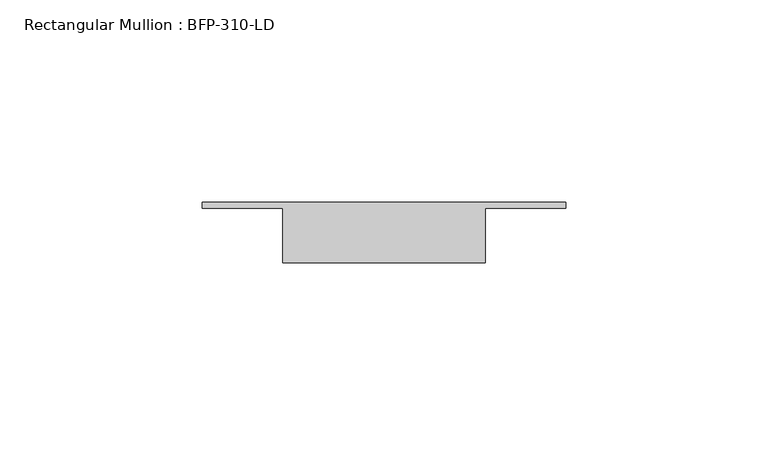
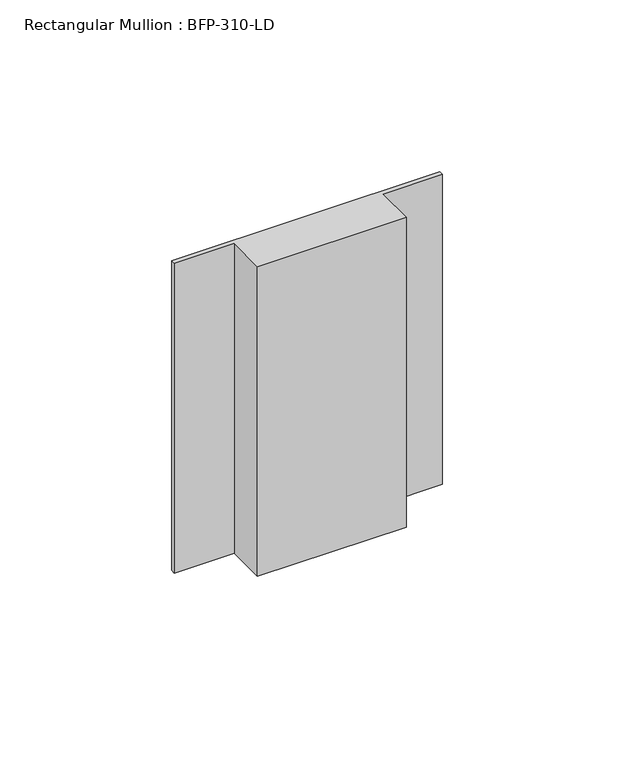
"""IFC4 building model written with IfcOpenShell, lengths in millimetres: member geometry, Rectangular Mullion : BFP-310-LD."""

import ifcopenshell
import ifcopenshell.guid

model = None  # the IFC model being written
_history = None  # IfcOwnerHistory: only IFC2X3 demands one
_inside = {}  # id of a spatial element -> (the spatial element, [elements in it])
_under = {}  # id of a project, library or spatial element -> (it, [spatial elements below it])
_declared = {}  # id of a project -> (the project, [libraries it declares])
_typed = {}  # id of a type object -> (the type object, [elements of that type])
_made_of = {}  # id of a material, layer set ... -> (it, [elements and type objects made of it])


def new_model(schema):
    """Start an empty IFC model of exactly this schema.

    Asked for "IFC4X3", IfcOpenShell would pick the latest addendum, in which some entities
    have other attributes; the version numbers below select the first issue.
    IFC2X3 requires an IfcOwnerHistory on every rooted entity: one is made here for all.
    """
    global model, _history
    if schema == "IFC4X3":
        model = ifcopenshell.file(schema_version=(4, 3, 0, 0))
    else:
        model = ifcopenshell.file(schema=schema)
    _inside.clear()
    _under.clear()
    _declared.clear()
    _typed.clear()
    _made_of.clear()
    _history = None
    if model.schema == "IFC2X3":
        org = make("IfcOrganization", Name="unknown")
        user = make(
            "IfcPersonAndOrganization",
            ThePerson=make("IfcPerson", FamilyName="unknown"),
            TheOrganization=org,
        )
        app = make(
            "IfcApplication",
            ApplicationDeveloper=org,
            Version="unknown",
            ApplicationFullName="unknown",
            ApplicationIdentifier="unknown",
        )
        _history = make(
            "IfcOwnerHistory",
            OwningUser=user,
            OwningApplication=app,
            ChangeAction="ADDED",
            CreationDate=0,
        )
    return model


def make(cls, **values):
    """One entity of the class cls with the attributes given. An attribute that is None is left unset."""
    return model.create_entity(
        cls, **{name: value for name, value in values.items() if value is not None}
    )


def rooted(cls, **values):
    """An entity with a GlobalId (a new one), such as an element, a storey or a relation."""
    return make(cls, GlobalId=ifcopenshell.guid.new(), OwnerHistory=_history, **values)


def si_unit(unit_type, name, prefix=None):
    """IfcSIUnit, for example si_unit("LENGTHUNIT", "METRE", prefix="MILLI")."""
    return make("IfcSIUnit", UnitType=unit_type, Prefix=prefix, Name=name)


def assignment(units):
    """IfcUnitAssignment: the units of a project."""
    return None if units is None else make("IfcUnitAssignment", Units=units)


def point(xyz):
    """IfcCartesianPoint."""
    return None if xyz is None else make("IfcCartesianPoint", Coordinates=xyz)


def direction(xyz):
    """IfcDirection."""
    return None if xyz is None else make("IfcDirection", DirectionRatios=xyz)


def frame(location, z_axis=None, x_axis=None):
    """IfcAxis2Placement3D, a coordinate frame: its origin and axes. An axis left out is left unset."""
    return make(
        "IfcAxis2Placement3D",
        Location=point(location),
        Axis=direction(z_axis),
        RefDirection=direction(x_axis),
    )


def origin():
    """The frame at (0, 0, 0) with its axes left unset."""
    return frame((0.0, 0.0, 0.0))


def place(relative_to, where):
    """IfcLocalPlacement: puts the frame where relative to a parent placement (None: the world)."""
    return make(
        "IfcLocalPlacement", PlacementRelTo=relative_to, RelativePlacement=where
    )


def context(
    kind, dimensions, precision=None, world=None, true_north=None, identifier=None
):
    """IfcGeometricRepresentationContext, for example the 3D "Model" context."""
    return make(
        "IfcGeometricRepresentationContext",
        ContextIdentifier=identifier,
        ContextType=kind,
        CoordinateSpaceDimension=dimensions,
        Precision=precision,
        WorldCoordinateSystem=world,
        TrueNorth=true_north,
    )


def project(units=None, contexts=None):
    """IfcProject with its units and contexts."""
    return rooted(
        "IfcProject",
        Name="project",
        RepresentationContexts=contexts,
        UnitsInContext=assignment(units),
    )


def spatial(cls, under=None, at=None, **own):
    """A site, building, storey or space (cls), placed at a placement, below another one or the project."""
    s = rooted(cls, ObjectPlacement=at, **own)
    if under is not None:
        _under.setdefault(under.id(), (under, []))[1].append(s)
    return s


def polyline(points):
    """IfcPolyline through the points."""
    return make("IfcPolyline", Points=[point(p) for p in points])


def outline(outer, holes=None, kind="AREA"):
    """IfcArbitraryClosedProfileDef: a profile drawn as a closed curve; with holes, ...WithVoids."""
    if holes is None:
        return make("IfcArbitraryClosedProfileDef", ProfileType=kind, OuterCurve=outer)
    return make(
        "IfcArbitraryProfileDefWithVoids",
        ProfileType=kind,
        OuterCurve=outer,
        InnerCurves=holes,
    )


def extrude(swept, where, along, depth):
    """IfcExtrudedAreaSolid: the profile swept, set in the frame where, extruded along a direction by depth."""
    return make(
        "IfcExtrudedAreaSolid",
        SweptArea=swept,
        Position=where,
        ExtrudedDirection=direction(along),
        Depth=depth,
    )


def shape(context_of_items, identifier, shape_type, items):
    """IfcShapeRepresentation: the items that make up one representation, for example the "Body"."""
    return make(
        "IfcShapeRepresentation",
        ContextOfItems=context_of_items,
        RepresentationIdentifier=identifier,
        RepresentationType=shape_type,
        Items=items,
    )


def source(mapping_origin, context_of_items, identifier, shape_type, items):
    """IfcRepresentationMap: a shape defined once, which mapped items show again and again."""
    return make(
        "IfcRepresentationMap",
        MappingOrigin=mapping_origin,
        MappedRepresentation=shape(context_of_items, identifier, shape_type, items),
    )


def transform(
    local_origin,
    x_axis=None,
    y_axis=None,
    z_axis=None,
    scale=None,
    scale2=None,
    scale3=None,
    uniform=True,
):
    """IfcCartesianTransformationOperator3D, or its non-uniform kind. x_axis, y_axis, z_axis: its Axis1, 2, 3."""
    if uniform:
        return make(
            "IfcCartesianTransformationOperator3D",
            Axis1=direction(x_axis),
            Axis2=direction(y_axis),
            LocalOrigin=point(local_origin),
            Scale=scale,
            Axis3=direction(z_axis),
        )
    return make(
        "IfcCartesianTransformationOperator3DnonUniform",
        Axis1=direction(x_axis),
        Axis2=direction(y_axis),
        LocalOrigin=point(local_origin),
        Scale=scale,
        Axis3=direction(z_axis),
        Scale2=scale2,
        Scale3=scale3,
    )


def mapped(mapping_source, mapping_target):
    """IfcMappedItem: shows the shape of a source again, moved by a transform."""
    return make(
        "IfcMappedItem", MappingSource=mapping_source, MappingTarget=mapping_target
    )


def made_of(thing, what):
    """Note that an element or type object is made of a material, layer set ...; save() writes the relation."""
    if what is not None:
        _made_of.setdefault(what.id(), (what, []))[1].append(thing)
    return thing


def element(
    cls,
    number,
    at=None,
    inside=None,
    cuts=None,
    type_object=None,
    material=None,
    context=None,
    identifier="Body",
    shape_type=None,
    held_by="IfcProductDefinitionShape",
    body=None,
    shapes=None,
    **own,
):
    """One element of the class cls, such as IfcWall. Its Tag is "e" and its number.

    at: its placement. inside: the storey or other place that contains it. cuts: it is an
    opening in that element (IfcRelVoidsElement). A single representation is given by context,
    identifier, shape_type and body (its items); several are given by shapes. held_by: the class
    of the entity that holds the representations. save() writes the other relations.
    """
    e = rooted(cls, Tag="e%d" % number, ObjectPlacement=at, **own)
    if body is not None:
        shapes = [shape(context, identifier, shape_type, body)]
    if shapes is not None:
        e.Representation = make(held_by, Representations=shapes)
    if inside is not None:
        _inside.setdefault(inside.id(), (inside, []))[1].append(e)
    if cuts is not None:
        rooted(
            "IfcRelVoidsElement", RelatingBuildingElement=cuts, RelatedOpeningElement=e
        )
    if type_object is not None:
        _typed.setdefault(type_object.id(), (type_object, []))[1].append(e)
    return made_of(e, material)


def aggregate(whole, parts):
    """IfcRelAggregates: a whole, such as a stair, and the parts it consists of."""
    return rooted("IfcRelAggregates", RelatingObject=whole, RelatedObjects=parts)


def save(model, path):
    """Write the relations noted so far, then the file.

    IfcRelAggregates (storeys below a building ...), IfcRelContainedInSpatialStructure (elements
    in a storey), IfcRelDefinesByType, IfcRelAssociatesMaterial and IfcRelDeclares: one each for
    every whole, place, type object, material and project.
    """
    for whole, parts in _under.values():
        aggregate(whole, parts)
    for where, things in _inside.values():
        rooted(
            "IfcRelContainedInSpatialStructure",
            RelatedElements=things,
            RelatingStructure=where,
        )
    for kind, things in _typed.values():
        rooted("IfcRelDefinesByType", RelatedObjects=things, RelatingType=kind)
    for what, things in _made_of.values():
        rooted("IfcRelAssociatesMaterial", RelatedObjects=things, RelatingMaterial=what)
    for by, libraries in _declared.values():
        rooted("IfcRelDeclares", RelatingContext=by, RelatedDefinitions=libraries)
    model.write(path)


def rectangular_mullion_bfp_310_ld_dcd48641(model_context):
    return source(origin(), model_context, "Body", "SweptSolid", [
        extrude(outline(polyline([(-70.0, -17.0), (-70.0, -3.5), (-90.0, -3.5), (-90.0, -2.0), (0.0, -2.0), (0.0, -3.5), (-20.0, -3.5), (-20.0, -17.0), (-70.0, -17.0)])), frame((0.0, 0.0, -110.0), z_axis=(0.0, 0.0, 1.0), x_axis=(1.0, 0.0, 0.0)), (0.0, 0.0, 1.0), 110.0),
    ])


if __name__ == "__main__":
    model = new_model("IFC4")
    model_context = context("Model", 3, world=origin())
    ifc_project = project(units=[si_unit("LENGTHUNIT", "METRE", prefix="MILLI")], contexts=[model_context])
    site = spatial("IfcSite", under=ifc_project)
    building = spatial("IfcBuilding", under=site)
    placement = place(None, origin())
    rectangular_mullion_bfp_310_ld_shape = rectangular_mullion_bfp_310_ld_dcd48641(model_context)
    element("IfcMember", 1, ObjectType="Rectangular Mullion : BFP-310-LD", at=placement, inside=building, context=model_context, shape_type="MappedRepresentation", body=[
        mapped(rectangular_mullion_bfp_310_ld_shape, transform((0.0, 0.0, 0.0), x_axis=(1.0, 0.0, 0.0), y_axis=(0.0, 1.0, 0.0), z_axis=(0.0, 0.0, 1.0))),
    ])
    save(model, "model.ifc")
